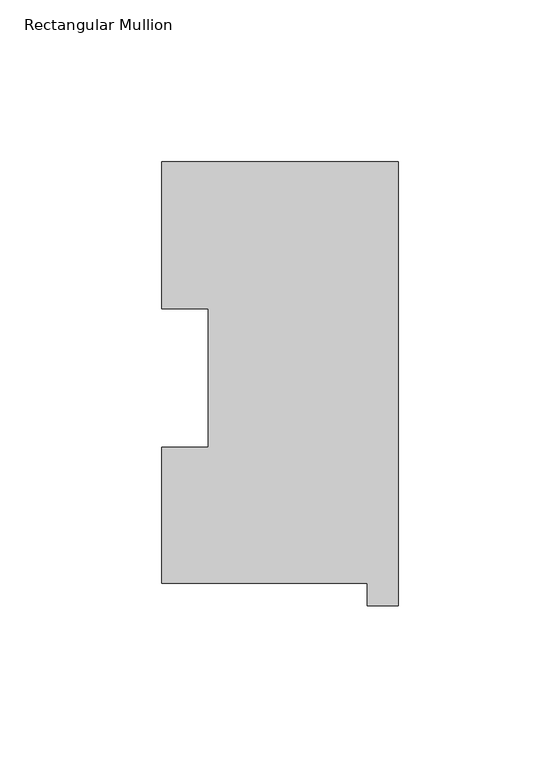
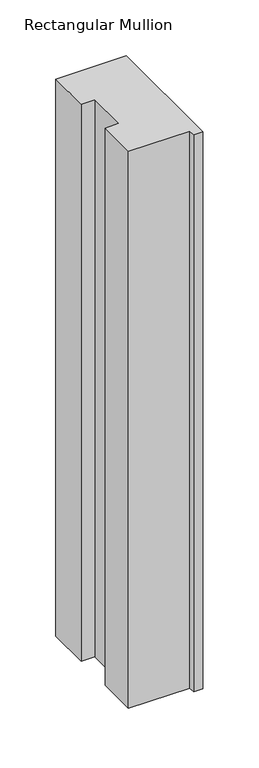
"""IFC4 building model written with IfcOpenShell, lengths in millimetres: member geometry, Rectangular Mullion."""

from ifc_helpers import new_model, si_unit, frame, origin, place, context, project, spatial, polyline, outline, extrude, source, transform, mapped, element, save


def rectangular_mullion_5b93e61f(model_context):
    return source(origin(), model_context, "Body", "SweptSolid", [
        extrude(outline(polyline([(-9.525, 0.04445), (-73.025, 0.04445), (-73.025, 42.08145), (-58.7502, 42.08145), (-58.7502, 84.93125), (-73.025, 84.93125), (-73.025, 130.34645), (0.0, 130.34645), (0.0, -6.86435), (-9.525, -6.86435), (-9.525, 0.04445)])), frame((0.0, 0.0, -609.6), z_axis=(0.0, 0.0, 1.0), x_axis=(1.0, 0.0, 0.0)), (0.0, 0.0, 1.0), 609.6),
    ])


if __name__ == "__main__":
    model = new_model("IFC4")
    model_context = context("Model", 3, world=origin())
    ifc_project = project(units=[si_unit("LENGTHUNIT", "METRE", prefix="MILLI")], contexts=[model_context])
    site = spatial("IfcSite", under=ifc_project)
    building = spatial("IfcBuilding", under=site)
    placement = place(None, origin())
    rectangular_mullion_shape = rectangular_mullion_5b93e61f(model_context)
    element("IfcMember", 1, ObjectType="Rectangular Mullion", at=placement, inside=building, context=model_context, shape_type="MappedRepresentation", body=[
        mapped(rectangular_mullion_shape, transform((0.0, 0.0, 0.0), x_axis=(1.0, 0.0, 0.0), y_axis=(0.0, 1.0, 0.0), z_axis=(0.0, 0.0, 1.0))),
    ])
    save(model, "model.ifc")
